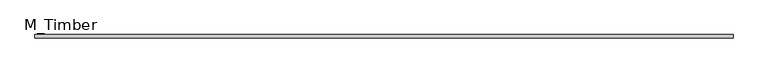
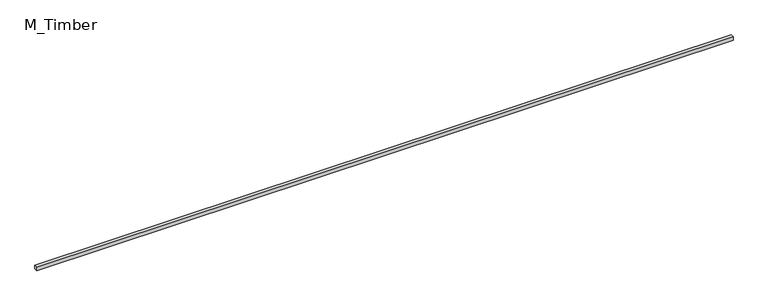
"""IFC4 building model written with IfcOpenShell, lengths in millimetres: beam geometry, M_Timber."""

import ifcopenshell
import ifcopenshell.guid

model = None  # the IFC model being written
_history = None  # IfcOwnerHistory: only IFC2X3 demands one
_inside = {}  # id of a spatial element -> (the spatial element, [elements in it])
_under = {}  # id of a project, library or spatial element -> (it, [spatial elements below it])
_declared = {}  # id of a project -> (the project, [libraries it declares])
_typed = {}  # id of a type object -> (the type object, [elements of that type])
_made_of = {}  # id of a material, layer set ... -> (it, [elements and type objects made of it])


def new_model(schema):
    """Start an empty IFC model of exactly this schema.

    Asked for "IFC4X3", IfcOpenShell would pick the latest addendum, in which some entities
    have other attributes; the version numbers below select the first issue.
    IFC2X3 requires an IfcOwnerHistory on every rooted entity: one is made here for all.
    """
    global model, _history
    if schema == "IFC4X3":
        model = ifcopenshell.file(schema_version=(4, 3, 0, 0))
    else:
        model = ifcopenshell.file(schema=schema)
    _inside.clear()
    _under.clear()
    _declared.clear()
    _typed.clear()
    _made_of.clear()
    _history = None
    if model.schema == "IFC2X3":
        org = make("IfcOrganization", Name="unknown")
        user = make(
            "IfcPersonAndOrganization",
            ThePerson=make("IfcPerson", FamilyName="unknown"),
            TheOrganization=org,
        )
        app = make(
            "IfcApplication",
            ApplicationDeveloper=org,
            Version="unknown",
            ApplicationFullName="unknown",
            ApplicationIdentifier="unknown",
        )
        _history = make(
            "IfcOwnerHistory",
            OwningUser=user,
            OwningApplication=app,
            ChangeAction="ADDED",
            CreationDate=0,
        )
    return model


def make(cls, **values):
    """One entity of the class cls with the attributes given. An attribute that is None is left unset."""
    return model.create_entity(
        cls, **{name: value for name, value in values.items() if value is not None}
    )


def rooted(cls, **values):
    """An entity with a GlobalId (a new one), such as an element, a storey or a relation."""
    return make(cls, GlobalId=ifcopenshell.guid.new(), OwnerHistory=_history, **values)


def si_unit(unit_type, name, prefix=None):
    """IfcSIUnit, for example si_unit("LENGTHUNIT", "METRE", prefix="MILLI")."""
    return make("IfcSIUnit", UnitType=unit_type, Prefix=prefix, Name=name)


def assignment(units):
    """IfcUnitAssignment: the units of a project."""
    return None if units is None else make("IfcUnitAssignment", Units=units)


def point(xyz):
    """IfcCartesianPoint."""
    return None if xyz is None else make("IfcCartesianPoint", Coordinates=xyz)


def direction(xyz):
    """IfcDirection."""
    return None if xyz is None else make("IfcDirection", DirectionRatios=xyz)


def frame(location, z_axis=None, x_axis=None):
    """IfcAxis2Placement3D, a coordinate frame: its origin and axes. An axis left out is left unset."""
    return make(
        "IfcAxis2Placement3D",
        Location=point(location),
        Axis=direction(z_axis),
        RefDirection=direction(x_axis),
    )


def origin():
    """The frame at (0, 0, 0) with its axes left unset."""
    return frame((0.0, 0.0, 0.0))


def place(relative_to, where):
    """IfcLocalPlacement: puts the frame where relative to a parent placement (None: the world)."""
    return make(
        "IfcLocalPlacement", PlacementRelTo=relative_to, RelativePlacement=where
    )


def context(
    kind, dimensions, precision=None, world=None, true_north=None, identifier=None
):
    """IfcGeometricRepresentationContext, for example the 3D "Model" context."""
    return make(
        "IfcGeometricRepresentationContext",
        ContextIdentifier=identifier,
        ContextType=kind,
        CoordinateSpaceDimension=dimensions,
        Precision=precision,
        WorldCoordinateSystem=world,
        TrueNorth=true_north,
    )


def project(units=None, contexts=None):
    """IfcProject with its units and contexts."""
    return rooted(
        "IfcProject",
        Name="project",
        RepresentationContexts=contexts,
        UnitsInContext=assignment(units),
    )


def spatial(cls, under=None, at=None, **own):
    """A site, building, storey or space (cls), placed at a placement, below another one or the project."""
    s = rooted(cls, ObjectPlacement=at, **own)
    if under is not None:
        _under.setdefault(under.id(), (under, []))[1].append(s)
    return s


def polyline(points):
    """IfcPolyline through the points."""
    return make("IfcPolyline", Points=[point(p) for p in points])


def outline(outer, holes=None, kind="AREA"):
    """IfcArbitraryClosedProfileDef: a profile drawn as a closed curve; with holes, ...WithVoids."""
    if holes is None:
        return make("IfcArbitraryClosedProfileDef", ProfileType=kind, OuterCurve=outer)
    return make(
        "IfcArbitraryProfileDefWithVoids",
        ProfileType=kind,
        OuterCurve=outer,
        InnerCurves=holes,
    )


def extrude(swept, where, along, depth):
    """IfcExtrudedAreaSolid: the profile swept, set in the frame where, extruded along a direction by depth."""
    return make(
        "IfcExtrudedAreaSolid",
        SweptArea=swept,
        Position=where,
        ExtrudedDirection=direction(along),
        Depth=depth,
    )


def shape(context_of_items, identifier, shape_type, items):
    """IfcShapeRepresentation: the items that make up one representation, for example the "Body"."""
    return make(
        "IfcShapeRepresentation",
        ContextOfItems=context_of_items,
        RepresentationIdentifier=identifier,
        RepresentationType=shape_type,
        Items=items,
    )


def source(mapping_origin, context_of_items, identifier, shape_type, items):
    """IfcRepresentationMap: a shape defined once, which mapped items show again and again."""
    return make(
        "IfcRepresentationMap",
        MappingOrigin=mapping_origin,
        MappedRepresentation=shape(context_of_items, identifier, shape_type, items),
    )


def transform(
    local_origin,
    x_axis=None,
    y_axis=None,
    z_axis=None,
    scale=None,
    scale2=None,
    scale3=None,
    uniform=True,
):
    """IfcCartesianTransformationOperator3D, or its non-uniform kind. x_axis, y_axis, z_axis: its Axis1, 2, 3."""
    if uniform:
        return make(
            "IfcCartesianTransformationOperator3D",
            Axis1=direction(x_axis),
            Axis2=direction(y_axis),
            LocalOrigin=point(local_origin),
            Scale=scale,
            Axis3=direction(z_axis),
        )
    return make(
        "IfcCartesianTransformationOperator3DnonUniform",
        Axis1=direction(x_axis),
        Axis2=direction(y_axis),
        LocalOrigin=point(local_origin),
        Scale=scale,
        Axis3=direction(z_axis),
        Scale2=scale2,
        Scale3=scale3,
    )


def mapped(mapping_source, mapping_target):
    """IfcMappedItem: shows the shape of a source again, moved by a transform."""
    return make(
        "IfcMappedItem", MappingSource=mapping_source, MappingTarget=mapping_target
    )


def made_of(thing, what):
    """Note that an element or type object is made of a material, layer set ...; save() writes the relation."""
    if what is not None:
        _made_of.setdefault(what.id(), (what, []))[1].append(thing)
    return thing


def element(
    cls,
    number,
    at=None,
    inside=None,
    cuts=None,
    type_object=None,
    material=None,
    context=None,
    identifier="Body",
    shape_type=None,
    held_by="IfcProductDefinitionShape",
    body=None,
    shapes=None,
    **own,
):
    """One element of the class cls, such as IfcWall. Its Tag is "e" and its number.

    at: its placement. inside: the storey or other place that contains it. cuts: it is an
    opening in that element (IfcRelVoidsElement). A single representation is given by context,
    identifier, shape_type and body (its items); several are given by shapes. held_by: the class
    of the entity that holds the representations. save() writes the other relations.
    """
    e = rooted(cls, Tag="e%d" % number, ObjectPlacement=at, **own)
    if body is not None:
        shapes = [shape(context, identifier, shape_type, body)]
    if shapes is not None:
        e.Representation = make(held_by, Representations=shapes)
    if inside is not None:
        _inside.setdefault(inside.id(), (inside, []))[1].append(e)
    if cuts is not None:
        rooted(
            "IfcRelVoidsElement", RelatingBuildingElement=cuts, RelatedOpeningElement=e
        )
    if type_object is not None:
        _typed.setdefault(type_object.id(), (type_object, []))[1].append(e)
    return made_of(e, material)


def aggregate(whole, parts):
    """IfcRelAggregates: a whole, such as a stair, and the parts it consists of."""
    return rooted("IfcRelAggregates", RelatingObject=whole, RelatedObjects=parts)


def save(model, path):
    """Write the relations noted so far, then the file.

    IfcRelAggregates (storeys below a building ...), IfcRelContainedInSpatialStructure (elements
    in a storey), IfcRelDefinesByType, IfcRelAssociatesMaterial and IfcRelDeclares: one each for
    every whole, place, type object, material and project.
    """
    for whole, parts in _under.values():
        aggregate(whole, parts)
    for where, things in _inside.values():
        rooted(
            "IfcRelContainedInSpatialStructure",
            RelatedElements=things,
            RelatingStructure=where,
        )
    for kind, things in _typed.values():
        rooted("IfcRelDefinesByType", RelatedObjects=things, RelatingType=kind)
    for what, things in _made_of.values():
        rooted("IfcRelAssociatesMaterial", RelatedObjects=things, RelatingMaterial=what)
    for by, libraries in _declared.values():
        rooted("IfcRelDeclares", RelatingContext=by, RelatedDefinitions=libraries)
    model.write(path)


def m_timber_a29e41d8(model_context):
    return source(origin(), model_context, "Body", "SweptSolid", [
        extrude(outline(polyline([(3913.92461, 20.0), (3913.92461, -20.0), (-3913.92461, -20.0), (-3913.92461, 20.0), (3913.92461, 20.0)])), frame((0.0, 0.0, -20.0), z_axis=(0.0, 0.0, 1.0), x_axis=(1.0, 0.0, 0.0)), (0.0, 0.0, 1.0), 40.0),
    ])


if __name__ == "__main__":
    model = new_model("IFC4")
    model_context = context("Model", 3, world=origin())
    ifc_project = project(units=[si_unit("LENGTHUNIT", "METRE", prefix="MILLI")], contexts=[model_context])
    site = spatial("IfcSite", under=ifc_project)
    building = spatial("IfcBuilding", under=site)
    placement = place(None, origin())
    m_timber_shape = m_timber_a29e41d8(model_context)
    element("IfcBeam", 1, ObjectType="M_Timber", at=placement, inside=building, context=model_context, shape_type="MappedRepresentation", body=[
        mapped(m_timber_shape, transform((0.0, 0.0, 0.0), x_axis=(1.0, 0.0, 0.0), y_axis=(0.0, 1.0, 0.0), z_axis=(0.0, 0.0, 1.0))),
    ])
    save(model, "model.ifc")
